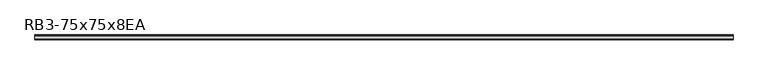
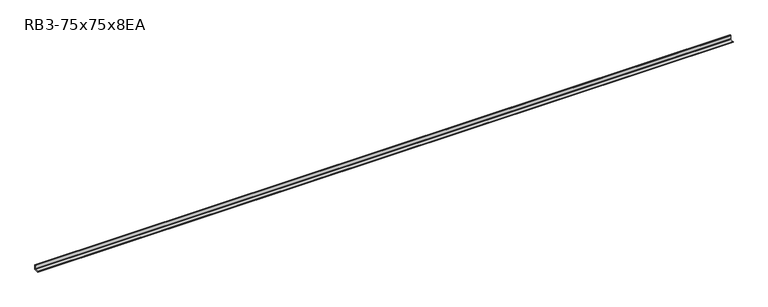
"""IFC4 building model written with IfcOpenShell, lengths in millimetres: member geometry, RB3-75x75x8EA."""

from ifc_helpers import new_model, si_unit, point, frame, frame_2d, origin, place, context, project, spatial, polyline, circle_curve, trimmed, segment, composite_curve, outline, extrude, source, transform, mapped, element, save


def rb3_75x75x8ea_0e00a05a(model_context):
    return source(origin(), model_context, "Body", "SweptSolid", [
        extrude(outline(composite_curve([segment(polyline([(21.3, -21.3), (-53.7, -21.3), (-53.7, -18.3)]), True, "CONTINUOUS"), segment(trimmed(circle_curve(frame_2d((-48.7, -18.3)), 5.0), [point((-53.7, -18.3))], [point((-48.7, -13.3))], False, "CARTESIAN"), True, "CONTINUOUS"), segment(polyline([(-48.7, -13.3), (5.3, -13.3)]), True, "CONTINUOUS"), segment(trimmed(circle_curve(frame_2d((5.3, -5.3)), 8.0), [point((5.3, -13.3))], [point((13.3, -5.3))], True, "CARTESIAN"), True, "CONTINUOUS"), segment(polyline([(13.3, -5.3), (13.3, 48.7)]), True, "CONTINUOUS"), segment(trimmed(circle_curve(frame_2d((18.3, 48.7)), 5.0), [point((13.3, 48.7))], [point((18.3, 53.7))], False, "CARTESIAN"), True, "CONTINUOUS"), segment(polyline([(18.3, 53.7), (21.3, 53.7), (21.3, -21.3)]), True, "CONTINUOUS")], self_intersect=False)), frame((-5393.640766, 0.0, 0.0), z_axis=(1.0, 0.0, 0.0), x_axis=(0.0, 1.0, 0.0)), (0.0, 0.0, 1.0), 10822.640766),
    ])


if __name__ == "__main__":
    model = new_model("IFC4")
    model_context = context("Model", 3, world=origin())
    ifc_project = project(units=[si_unit("LENGTHUNIT", "METRE", prefix="MILLI")], contexts=[model_context])
    site = spatial("IfcSite", under=ifc_project)
    building = spatial("IfcBuilding", under=site)
    placement = place(None, origin())
    rb3_75x75x8ea_shape = rb3_75x75x8ea_0e00a05a(model_context)
    element("IfcMember", 1, ObjectType="RB3-75x75x8EA", at=placement, inside=building, context=model_context, shape_type="MappedRepresentation", body=[
        mapped(rb3_75x75x8ea_shape, transform((0.0, 0.0, 0.0), x_axis=(1.0, 0.0, 0.0), y_axis=(0.0, 1.0, 0.0), z_axis=(0.0, 0.0, 1.0))),
    ])
    save(model, "model.ifc")
